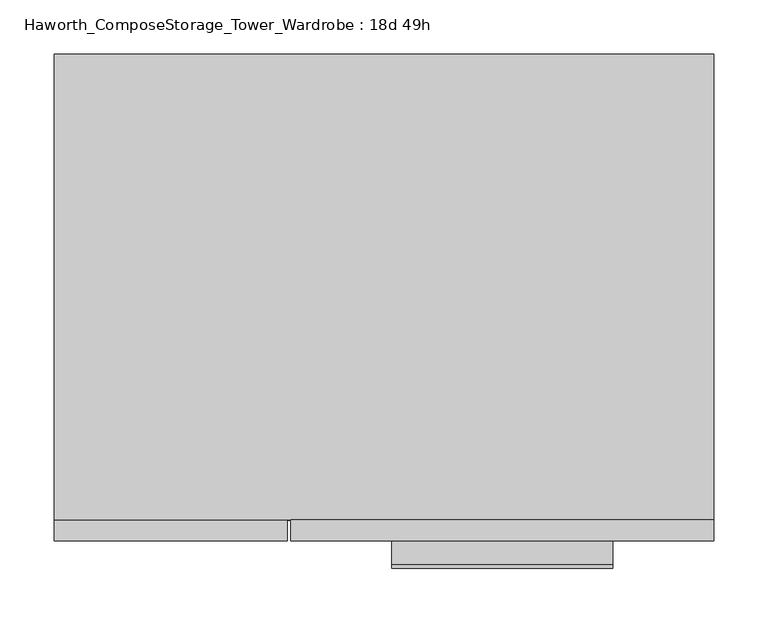
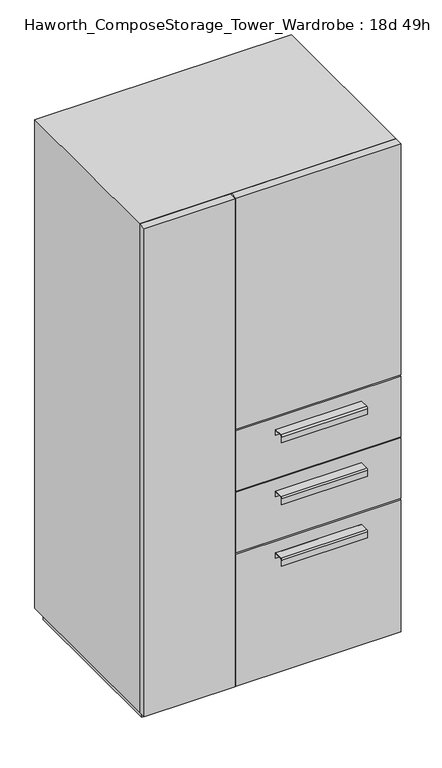
"""IFC4 building model written with IfcOpenShell, lengths in millimetres: furniture geometry, Haworth_ComposeStorage_Tower_Wardrobe : 18d 49h."""

from ifc_helpers import new_model, si_unit, point, frame, frame_2d, origin, origin_with_axes, place, context, project, spatial, polyline, circle_curve, trimmed, segment, composite_curve, outline, extrude, faceted_brep, source, transform, mapped, element, save


def haworth_composestorage_tower_wardrobe_18d_49h_3ae62ee0(model_context):
    return source(origin(), model_context, "Body", "SolidModel", [
        extrude(outline(composite_curve([segment(polyline([(-255.5875242, 633.9919215), (-233.3625, 633.9919215), (-233.3625, 620.5299525), (-234.1562742, 620.5299525), (-234.1562742, 633.1982199), (-255.5875242, 633.1982199)]), True, "CONTINUOUS"), segment(trimmed(circle_curve(frame_2d((-255.5875242, 630.8142808)), 2.3839392), [point((-255.5875242, 633.1982199))], [point((-257.9714634, 630.8142808))], True, "CARTESIAN"), True, "CONTINUOUS"), segment(polyline([(-257.9714634, 630.8142808), (-257.9714634, 616.2119021), (-258.7624758, 616.2119021), (-258.7624758, 630.8169699)]), True, "CONTINUOUS"), segment(trimmed(circle_curve(frame_2d((-255.5875242, 630.8169699)), 3.1749516), [point((-258.7624758, 630.8169699))], [point((-255.5875242, 633.9919215))], False, "CARTESIAN"), True, "CONTINUOUS")], self_intersect=False)), frame((7.1576406, 0.0, 0.0), z_axis=(1.0, 0.0, 0.0), x_axis=(0.0, 1.0, 0.0)), (0.0, 0.0, 1.0), 203.2),
        extrude(outline(polyline([(303.2263906, -214.3125), (303.2263906, -233.3625), (-85.7111094, -233.3625), (-85.7111094, -214.3125), (303.2263906, -214.3125)])), frame((0.0, 0.0, 512.7625), z_axis=(0.0, 0.0, 1.0), x_axis=(1.0, 0.0, 0.0)), (0.0, 0.0, 1.0), 150.8125),
        extrude(outline(composite_curve([segment(polyline([(-255.5875242, 480.0044215), (-233.3625, 480.0044215), (-233.3625, 466.5424525), (-234.1562742, 466.5424525), (-234.1562742, 479.2107199), (-255.5875242, 479.2107199)]), True, "CONTINUOUS"), segment(trimmed(circle_curve(frame_2d((-255.5875242, 476.8267808)), 2.3839392), [point((-255.5875242, 479.2107199))], [point((-257.9714634, 476.8267808))], True, "CARTESIAN"), True, "CONTINUOUS"), segment(polyline([(-257.9714634, 476.8267808), (-257.9714634, 462.2244021), (-258.7624758, 462.2244021), (-258.7624758, 476.8294699)]), True, "CONTINUOUS"), segment(trimmed(circle_curve(frame_2d((-255.5875242, 476.8294699)), 3.1749516), [point((-258.7624758, 476.8294699))], [point((-255.5875242, 480.0044215))], False, "CARTESIAN"), True, "CONTINUOUS")], self_intersect=False)), frame((7.1576406, 0.0, 0.0), z_axis=(1.0, 0.0, 0.0), x_axis=(0.0, 1.0, 0.0)), (0.0, 0.0, 1.0), 203.2),
        extrude(outline(polyline([(303.2263906, -214.3125), (303.2263906, -233.3625), (-85.7111094, -233.3625), (-85.7111094, -214.3125), (303.2263906, -214.3125)])), frame((0.0, 0.0, 358.775), z_axis=(0.0, 0.0, 1.0), x_axis=(1.0, 0.0, 0.0)), (0.0, 0.0, 1.0), 150.8125),
        extrude(outline(composite_curve([segment(polyline([(-255.5875242, 326.0169215), (-233.3625, 326.0169215), (-233.3625, 312.5549525), (-234.1562742, 312.5549525), (-234.1562742, 325.2232199), (-255.5875242, 325.2232199)]), True, "CONTINUOUS"), segment(trimmed(circle_curve(frame_2d((-255.5875242, 322.8392808)), 2.3839392), [point((-255.5875242, 325.2232199))], [point((-257.9714634, 322.8392808))], True, "CARTESIAN"), True, "CONTINUOUS"), segment(polyline([(-257.9714634, 322.8392808), (-257.9714634, 308.2369021), (-258.7624758, 308.2369021), (-258.7624758, 322.8419699)]), True, "CONTINUOUS"), segment(trimmed(circle_curve(frame_2d((-255.5875242, 322.8419699)), 3.1749516), [point((-258.7624758, 322.8419699))], [point((-255.5875242, 326.0169215))], False, "CARTESIAN"), True, "CONTINUOUS")], self_intersect=False)), frame((7.1576406, 0.0, 0.0), z_axis=(1.0, 0.0, 0.0), x_axis=(0.0, 1.0, 0.0)), (0.0, 0.0, 1.0), 203.2),
        extrude(outline(polyline([(303.2263906, -214.3125), (303.2263906, -233.3625), (-85.7111094, -233.3625), (-85.7111094, -214.3125), (303.2263906, -214.3125)])), frame((0.0, 0.0, 25.4), z_axis=(0.0, 0.0, 1.0), x_axis=(1.0, 0.0, 0.0)), (0.0, 0.0, 1.0), 330.2),
        extrude(outline(polyline([(303.2263906, -214.3125), (303.2263906, -233.3625), (-85.7111094, -233.3625), (-85.7111094, -214.3125), (303.2263906, -214.3125)])), frame((0.0, 0.0, 666.75), z_axis=(0.0, 0.0, 1.0), x_axis=(1.0, 0.0, 0.0)), (0.0, 0.0, 1.0), 577.85),
        faceted_brep([(-303.1986094, -214.3125, 25.4), (303.2263906, -214.3125, 25.4), (303.2263906, -214.3125, 1244.6), (-303.1986094, -214.3125, 1244.6), (-284.1486094, -214.3125, 44.45), (-284.1486094, -214.3125, 1225.55), (284.1694453, -214.3125, 1225.55), (284.1694453, -214.3125, 44.45), (-303.1986094, 214.3125, 25.4), (-303.1986094, 214.3125, 1244.6), (303.2263906, 214.3125, 1244.6), (303.2263906, 214.3125, 25.4), (-284.1486094, 195.2625, 44.45), (-284.1486094, 195.2625, 1225.55), (284.1694453, 195.2625, 1225.55), (284.1694453, 195.2625, 44.45)], [[[0, 1, 2, 3], [4, 5, 6, 7]], [[8, 9, 10, 11]], [[1, 0, 8, 11]], [[2, 1, 11, 10]], [[3, 2, 10, 9]], [[0, 3, 9, 8]], [[5, 4, 12, 13]], [[6, 5, 13, 14]], [[7, 6, 14, 15]], [[4, 7, 15, 12]], [[13, 12, 15, 14]]]),
        extrude(outline(polyline([(290.5263906, -201.6125), (-290.4986094, -201.6125), (-290.4986094, 201.6125), (290.5263906, 201.6125), (290.5263906, -201.6125)])), origin_with_axes(), (0.0, 0.0, 1.0), 25.4),
        extrude(outline(polyline([(-303.1986094, -233.3625), (-303.1986094, -214.3125), (-88.8861094, -214.3125), (-88.8861094, -233.3625), (-303.1986094, -233.3625)])), frame((0.0, 0.0, 25.4), z_axis=(0.0, 0.0, 1.0), x_axis=(1.0, 0.0, 0.0)), (0.0, 0.0, 1.0), 1219.2),
    ])


if __name__ == "__main__":
    model = new_model("IFC4")
    model_context = context("Model", 3, world=origin())
    ifc_project = project(units=[si_unit("LENGTHUNIT", "METRE", prefix="MILLI")], contexts=[model_context])
    site = spatial("IfcSite", under=ifc_project)
    building = spatial("IfcBuilding", under=site)
    placement = place(None, origin())
    haworth_composestorage_tower_wardrobe_18d_49h_shape = haworth_composestorage_tower_wardrobe_18d_49h_3ae62ee0(model_context)
    element("IfcFurniture", 1, ObjectType="Haworth_ComposeStorage_Tower_Wardrobe : 18d 49h", at=placement, inside=building, context=model_context, shape_type="MappedRepresentation", body=[
        mapped(haworth_composestorage_tower_wardrobe_18d_49h_shape, transform((0.0, 0.0, 0.0), x_axis=(1.0, 0.0, 0.0), y_axis=(0.0, 1.0, 0.0), z_axis=(0.0, 0.0, 1.0))),
    ])
    save(model, "model.ifc")
